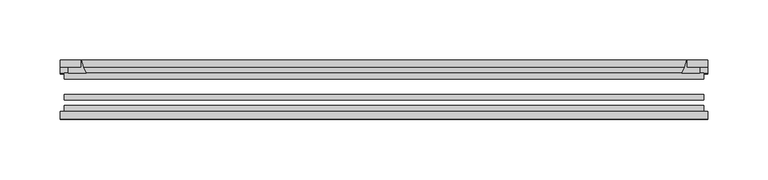
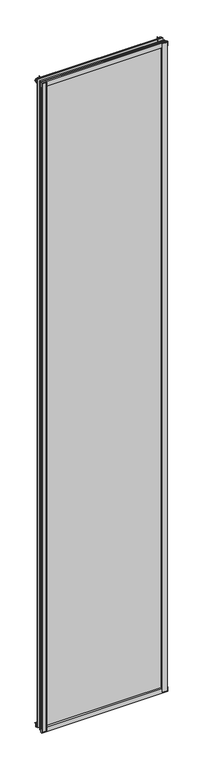
"""IFC4 building model written with IfcOpenShell, lengths in millimetres: plate geometry."""

from ifc_helpers import new_model, si_unit, point, frame, frame_2d, origin, place, context, project, spatial, polyline, circle_curve, trimmed, segment, composite_curve, outline, extrude, source, transform, mapped, element, save


def plate_8237d049(model_context):
    return source(origin(), model_context, "Body", "SweptSolid", [
        extrude(outline(composite_curve([segment(polyline([(-265.1125, -78.7828625), (-243.6912987, -78.7828625)]), True, "CONTINUOUS"), segment(trimmed(circle_curve(frame_2d((-236.0541331, -84.652782)), 9.6323545), [point((-243.6912987, -78.7828625))], [point((-245.6745165, -85.1328625))], True, "CARTESIAN"), True, "CONTINUOUS"), segment(polyline([(-245.6745165, -85.1328625), (-265.1125, -85.1328625), (-265.1125, -78.7828625)]), True, "CONTINUOUS")], self_intersect=False)), frame((0.0, 0.0, -14.2875), z_axis=(0.0, 0.0, 1.0), x_axis=(1.0, 0.0, 0.0)), (0.0, 0.0, 1.0), 2914.65),
        extrude(outline(composite_curve([segment(polyline([(265.1544065, -78.7828625), (265.1544065, -85.1328625), (245.6745165, -85.1328625)]), True, "CONTINUOUS"), segment(trimmed(circle_curve(frame_2d((236.0541331, -84.652782)), 9.6323545), [point((245.6745165, -85.1328625))], [point((243.6912987, -78.7828625))], True, "CARTESIAN"), True, "CONTINUOUS"), segment(polyline([(243.6912987, -78.7828625), (265.1544065, -78.7828625)]), True, "CONTINUOUS")], self_intersect=False)), frame((0.0, 0.0, -14.2875), z_axis=(0.0, 0.0, 1.0), x_axis=(1.0, 0.0, 0.0)), (0.0, 0.0, 1.0), 2914.65),
        extrude(outline(composite_curve([segment(polyline([(-47.1852625, -14.2875), (-47.1852625, 3.9588469)]), True, "CONTINUOUS"), segment(trimmed(circle_curve(frame_2d((-30.6824422, 32.267054)), 32.7673262), [point((-47.1852625, 3.9588469))], [point((-36.3503395, -0.00635))], True, "CARTESIAN"), True, "CONTINUOUS"), segment(polyline([(-36.3503395, -0.00635), (-42.2830625, -0.00635), (-42.2830625, -14.2875), (-47.1852625, -14.2875)]), True, "CONTINUOUS")], self_intersect=False)), frame((-268.2875, 0.0, 0.0), z_axis=(1.0, 0.0, 0.0), x_axis=(0.0, 1.0, 0.0)), (0.0, 0.0, 1.0), 536.575),
        extrude(outline(composite_curve([segment(polyline([(-78.7828625, -16.8821065), (-85.1328625, -16.8821065), (-85.1328625, 2.5977835)]), True, "CONTINUOUS"), segment(trimmed(circle_curve(frame_2d((-84.652782, 12.2181669)), 9.6323545), [point((-85.1328625, 2.5977835))], [point((-78.7828625, 4.5810013))], True, "CARTESIAN"), True, "CONTINUOUS"), segment(polyline([(-78.7828625, 4.5810013), (-78.7828625, -16.8821065)]), True, "CONTINUOUS")], self_intersect=False)), frame((-268.2875, 0.0, 0.0), z_axis=(1.0, 0.0, 0.0), x_axis=(0.0, 1.0, 0.0)), (0.0, 0.0, 1.0), 536.575),
        extrude(outline(composite_curve([segment(polyline([(-47.1852625, 2882.1034531), (-47.1852625, 2896.7752564), (-42.2830625, 2896.7752564), (-42.2830625, 2886.075), (-36.3140625, 2886.075)]), True, "CONTINUOUS"), segment(trimmed(circle_curve(frame_2d((-30.6824422, 2853.795246)), 32.7673262), [point((-36.3140625, 2886.075))], [point((-47.1852625, 2882.1034531))], True, "CARTESIAN"), True, "CONTINUOUS")], self_intersect=False)), frame((-268.2875, 0.0, 0.0), z_axis=(1.0, 0.0, 0.0), x_axis=(0.0, 1.0, 0.0)), (0.0, 0.0, 1.0), 536.575),
        extrude(outline(composite_curve([segment(polyline([(-78.7828625, 2902.9444065), (-78.7828625, 2881.4812987)]), True, "CONTINUOUS"), segment(trimmed(circle_curve(frame_2d((-84.652782, 2873.8441331)), 9.6323545), [point((-78.7828625, 2881.4812987))], [point((-85.1328625, 2883.4645165))], True, "CARTESIAN"), True, "CONTINUOUS"), segment(polyline([(-85.1328625, 2883.4645165), (-85.1328625, 2902.9444065), (-78.7828625, 2902.9444065)]), True, "CONTINUOUS")], self_intersect=False)), frame((-268.2875, 0.0, 0.0), z_axis=(1.0, 0.0, 0.0), x_axis=(0.0, 1.0, 0.0)), (0.0, 0.0, 1.0), 536.575),
        extrude(outline(composite_curve([segment(trimmed(circle_curve(frame_2d((218.545246, -30.6824422)), 32.7673262), [point((246.8534531, -47.1852625))], [point((250.825, -36.3140625))], True, "CARTESIAN"), True, "CONTINUOUS"), segment(polyline([(250.825, -36.3140625), (250.825, -42.2830625), (261.5253653, -42.2830625), (261.5253653, -47.1852625), (246.8534531, -47.1852625)]), True, "CONTINUOUS")], self_intersect=False)), frame((0.0, 0.0, -14.2875), z_axis=(0.0, 0.0, 1.0), x_axis=(1.0, 0.0, 0.0)), (0.0, 0.0, 1.0), 2914.65),
        extrude(outline(composite_curve([segment(polyline([(-246.8534531, -47.1852625), (-261.5202092, -47.1852625), (-261.5202092, -42.2830625), (-250.825, -42.2830625), (-250.825, -36.3140625)]), True, "CONTINUOUS"), segment(trimmed(circle_curve(frame_2d((-218.545246, -30.6824422)), 32.7673262), [point((-250.825, -36.3140625))], [point((-246.8534531, -47.1852625))], True, "CARTESIAN"), True, "CONTINUOUS")], self_intersect=False)), frame((0.0, 0.0, -14.2875), z_axis=(0.0, 0.0, 1.0), x_axis=(1.0, 0.0, 0.0)), (0.0, 0.0, 1.0), 2914.65),
        extrude(outline(polyline([(265.1125, -64.6604625), (265.1125, -69.4356625), (-265.1125, -69.4356625), (-265.1125, -64.6604625), (265.1125, -64.6604625)])), frame((0.0, 0.0, -14.2875), z_axis=(0.0, 0.0, 1.0), x_axis=(1.0, 0.0, 0.0)), (0.0, 0.0, 1.0), 2914.65),
        extrude(outline(polyline([(-265.1125, -78.7828625), (-265.1125, -74.0076625), (265.1125, -74.0076625), (265.1125, -78.7828625), (-265.1125, -78.7828625)])), frame((0.0, 0.0, -14.2875), z_axis=(0.0, 0.0, 1.0), x_axis=(1.0, 0.0, 0.0)), (0.0, 0.0, 1.0), 2914.65),
        extrude(outline(polyline([(-265.1125, -47.1852625), (265.1125, -47.1852625), (265.1125, -51.9604625), (-265.1125, -51.9604625), (-265.1125, -47.1852625)])), frame((0.0, 0.0, -14.2875), z_axis=(0.0, 0.0, 1.0), x_axis=(1.0, 0.0, 0.0)), (0.0, 0.0, 1.0), 2914.65),
    ])


if __name__ == "__main__":
    model = new_model("IFC4")
    model_context = context("Model", 3, world=origin())
    ifc_project = project(units=[si_unit("LENGTHUNIT", "METRE", prefix="MILLI")], contexts=[model_context])
    site = spatial("IfcSite", under=ifc_project)
    building = spatial("IfcBuilding", under=site)
    placement = place(None, origin())
    plate_shape = plate_8237d049(model_context)
    element("IfcPlate", 1, at=placement, inside=building, context=model_context, shape_type="MappedRepresentation", body=[
        mapped(plate_shape, transform((0.0, 0.0, 0.0), x_axis=(1.0, 0.0, 0.0), y_axis=(0.0, 1.0, 0.0), z_axis=(0.0, 0.0, 1.0))),
    ])
    save(model, "model.ifc")
